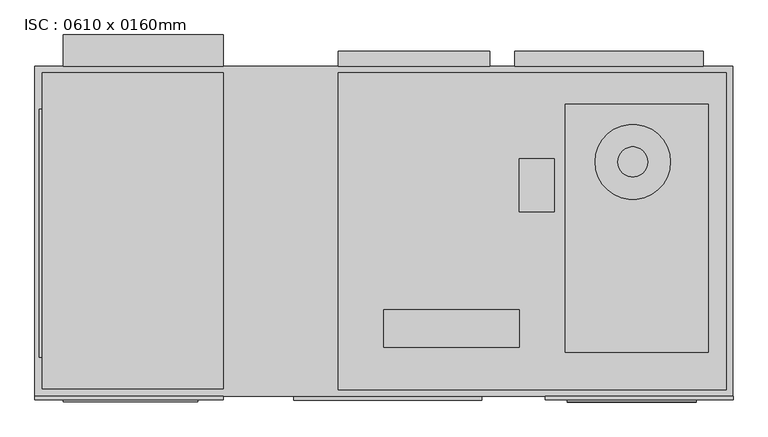
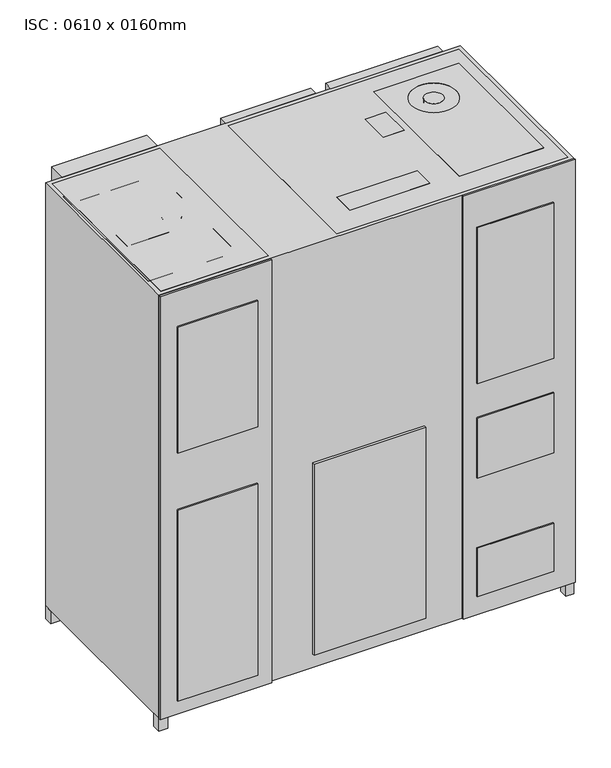
"""IFC4 building model written with IfcOpenShell, lengths in millimetres: furniture geometry, ISC : 0610 x 0160mm."""

from ifc_helpers import new_model, si_unit, point, frame, frame_2d, origin, origin_with_axes, place, context, project, spatial, polyline, circle_curve, trimmed, segment, composite_curve, outline, extrude, source, transform, mapped, element, save


def isc_0610_x_0160mm_a3038b83(model_context):
    return source(origin(), model_context, "Body", "SweptSolid", [
        extrude(outline(polyline([(833.7138357, -286.6), (833.7138357, -301.6), (491.1322721, -301.6), (491.1322721, -286.6), (833.7138357, -286.6)])), frame((0.0, 0.0, 89.4930278), z_axis=(0.0, 0.0, 1.0), x_axis=(1.0, 0.0, 0.0)), (0.0, 0.0, 1.0), 228.5346148),
        extrude(outline(polyline([(833.7138357, -286.6), (833.7138357, -301.6), (491.1322721, -301.6), (491.1322721, -286.6), (833.7138357, -286.6)])), frame((0.0, 0.0, 650.2056581), z_axis=(0.0, 0.0, 1.0), x_axis=(1.0, 0.0, 0.0)), (0.0, 0.0, 1.0), 283.9586262),
        extrude(outline(polyline([(833.7138357, -286.6), (833.7138357, -301.6), (491.1322721, -301.6), (491.1322721, -286.6), (833.7138357, -286.6)])), frame((0.0, 0.0, 1096.6425764), z_axis=(0.0, 0.0, 1.0), x_axis=(1.0, 0.0, 0.0)), (0.0, 0.0, 1.0), 737.52348),
        extrude(outline(polyline([(-491.8433017, -286.6), (-491.8433017, -301.6), (-848.8677279, -301.6), (-848.8677279, -286.6), (-491.8433017, -286.6)])), frame((0.0, 0.0, 63.2559885), z_axis=(0.0, 0.0, 1.0), x_axis=(1.0, 0.0, 0.0)), (0.0, 0.0, 1.0), 905.3791985),
        extrude(outline(polyline([(-491.8433017, -286.6), (-491.8433017, -301.6), (-848.8677279, -301.6), (-848.8677279, -286.6), (-491.8433017, -286.6)])), frame((0.0, 0.0, 1236.7503321), z_axis=(0.0, 0.0, 1.0), x_axis=(1.0, 0.0, 0.0)), (0.0, 0.0, 1.0), 597.4157242),
        extrude(outline(polyline([(263.9836303, -286.6), (263.9836303, -296.4444218), (-236.0163697, -296.4444218), (-236.0163697, -286.6), (263.9836303, -286.6)])), frame((0.0, 0.0, 63.2559885), z_axis=(0.0, 0.0, 1.0), x_axis=(1.0, 0.0, 0.0)), (0.0, 0.0, 1.0), 905.3791985),
        extrude(outline(polyline([(931.9836303, -286.6), (931.9836303, -296.4444218), (431.9836303, -296.4444218), (431.9836303, -286.6), (931.9836303, -286.6)])), origin_with_axes(), (0.0, 0.0, 1.0), 2000.6055202),
        extrude(outline(polyline([(-424.2663697, -286.6), (-424.2663697, -296.4444218), (-924.2663697, -296.4444218), (-924.2663697, -286.6), (-424.2663697, -286.6)])), origin_with_axes(), (0.0, 0.0, 1.0), 2000.6055202),
        extrude(outline(polyline([(363.7336303, -56.2053237), (363.7336303, -156.2053237), (3.7336303, -156.2053237), (3.7336303, -56.2053237), (363.7336303, -56.2053237)])), frame((0.0, 0.0, 1914.3475508), z_axis=(0.0, 0.0, 1.0), x_axis=(1.0, 0.0, 0.0)), (0.0, 0.0, 1.0), 86.6524492),
        extrude(outline(polyline([(455.8746494, 345.0872714), (455.8746494, 204.2079561), (363.7336303, 204.2079561), (363.7336303, 345.0872714), (455.8746494, 345.0872714)])), frame((0.0, 0.0, 1914.3475508), z_axis=(0.0, 0.0, 1.0), x_axis=(1.0, 0.0, 0.0)), (0.0, 0.0, 1.0), 86.6524492),
        extrude(outline(polyline([(865.8746494, 490.2356568), (865.8746494, -169.7643432), (485.8746494, -169.7643432), (485.8746494, 490.2356568), (865.8746494, 490.2356568)]), holes=[composite_curve([segment(trimmed(circle_curve(frame_2d((665.1755961, 336.549131)), 100.0), [point((565.1755961, 336.549131))], [point((765.1755961, 336.549131))], True, "CARTESIAN"), True, "CONTINUOUS"), segment(trimmed(circle_curve(frame_2d((665.1755961, 336.549131)), 100.0), [point((765.1755961, 336.549131))], [point((565.1755961, 336.549131))], True, "CARTESIAN"), True, "CONTINUOUS")], self_intersect=False)]), frame((0.0, 0.0, 1914.3475508), z_axis=(0.0, 0.0, 1.0), x_axis=(1.0, 0.0, 0.0)), (0.0, 0.0, 1.0), 86.6524492),
        extrude(outline(composite_curve([segment(trimmed(circle_curve(frame_2d((665.1755961, 336.549131)), 40.0), [point((625.1755961, 336.549131))], [point((705.1755961, 336.549131))], False, "CARTESIAN"), True, "CONTINUOUS"), segment(trimmed(circle_curve(frame_2d((665.1755961, 336.549131)), 40.0), [point((705.1755961, 336.549131))], [point((625.1755961, 336.549131))], False, "CARTESIAN"), True, "CONTINUOUS")], self_intersect=False)), frame((0.0, 0.0, 1914.3475508), z_axis=(0.0, 0.0, 1.0), x_axis=(1.0, 0.0, 0.0)), (0.0, 0.0, 1.0), 86.6524492),
        extrude(outline(polyline([(914.2540428, 573.4), (914.2540428, -269.0064748), (-118.2663697, -269.0064748), (-118.2663697, 573.4), (914.2540428, 573.4)])), frame((0.0, 0.0, 1914.3475508), z_axis=(0.0, 0.0, 1.0), x_axis=(1.0, 0.0, 0.0)), (0.0, 0.0, 1.0), 86.6524492),
        extrude(outline(polyline([(-424.2663697, 573.8064748), (-424.2663697, -266.3477589), (-904.307653, -266.3477589), (-904.307653, 573.8064748), (-424.2663697, 573.8064748)])), frame((0.0, 0.0, 1914.3475508), z_axis=(0.0, 0.0, 1.0), x_axis=(1.0, 0.0, 0.0)), (0.0, 0.0, 1.0), 86.6524492),
        extrude(outline(composite_curve([segment(trimmed(circle_curve(frame_2d((-614.2647309, 152.4)), 40.0), [point((-654.2647309, 152.4))], [point((-574.2647309, 152.4))], False, "CARTESIAN"), True, "CONTINUOUS"), segment(trimmed(circle_curve(frame_2d((-614.2647309, 152.4)), 40.0), [point((-574.2647309, 152.4))], [point((-654.2647309, 152.4))], False, "CARTESIAN"), True, "CONTINUOUS")], self_intersect=False)), frame((0.0, 0.0, 1914.3475508), z_axis=(0.0, 0.0, 1.0), x_axis=(1.0, 0.0, 0.0)), (0.0, 0.0, 1.0), 86.6524492),
        extrude(outline(polyline([(-677.8334103, 242.4), (-677.8334103, 62.4), (-865.2313588, 62.4), (-865.2313588, 242.4), (-677.8334103, 242.4)])), frame((0.0, 0.0, 1914.3475508), z_axis=(0.0, 0.0, 1.0), x_axis=(1.0, 0.0, 0.0)), (0.0, 0.0, 1.0), 86.6524492),
        extrude(outline(polyline([(-464.2663697, 476.6690522), (-464.2663697, -183.3309478), (-912.2986432, -183.3309478), (-912.2986432, 476.6690522), (-464.2663697, 476.6690522)]), holes=[polyline([(-517.8334103, 420.9855283), (-865.2313588, 420.9855283), (-865.2313588, -139.0144717), (-517.8334103, -139.0144717), (-517.8334103, 420.9855283)])]), frame((0.0, 0.0, 1914.3475508), z_axis=(0.0, 0.0, 1.0), x_axis=(1.0, 0.0, 0.0)), (0.0, 0.0, 1.0), 86.6524492),
        extrude(outline(polyline([(284.3060169, 631.3168284), (284.3060169, 591.4), (-118.2663697, 591.4), (-118.2663697, 631.3168284), (284.3060169, 631.3168284)])), origin_with_axes(), (0.0, 0.0, 1.0), 2001.0),
        extrude(outline(polyline([(852.2779599, 631.3168284), (852.2779599, 591.4), (351.1262455, 591.4), (351.1262455, 631.3168284), (852.2779599, 631.3168284)])), origin_with_axes(), (0.0, 0.0, 1.0), 2001.0),
        extrude(outline(polyline([(-424.2663697, 674.2334922), (-424.2663697, 591.4), (-848.8677279, 591.4), (-848.8677279, 674.2334922), (-424.2663697, 674.2334922)])), origin_with_axes(), (0.0, 0.0, 1.0), 2001.0),
        extrude(outline(polyline([(-885.3079155, -246.6), (-885.3079155, -286.6), (-924.2663697, -286.6), (-924.2663697, -246.6), (-885.3079155, -246.6)])), frame((0.0, 0.0, -60.0), z_axis=(0.0, 0.0, 1.0), x_axis=(1.0, 0.0, 0.0)), (0.0, 0.0, 1.0), 60.0),
        extrude(outline(polyline([(-885.3079155, 591.4), (-885.3079155, 551.4), (-924.4459564, 551.4), (-924.4459564, 591.4), (-885.3079155, 591.4)])), frame((0.0, 0.0, -60.0), z_axis=(0.0, 0.0, 1.0), x_axis=(1.0, 0.0, 0.0)), (0.0, 0.0, 1.0), 60.0),
        extrude(outline(polyline([(931.7336303, 591.4), (931.7336303, 551.4), (896.2744296, 551.4), (896.2744296, 591.4), (931.7336303, 591.4)])), frame((0.0, 0.0, -60.0), z_axis=(0.0, 0.0, 1.0), x_axis=(1.0, 0.0, 0.0)), (0.0, 0.0, 1.0), 60.0),
        extrude(outline(polyline([(931.7336303, -246.6), (931.7336303, -286.6), (896.2744296, -286.6), (896.2744296, -246.6), (931.7336303, -246.6)])), frame((0.0, 0.0, -60.0), z_axis=(0.0, 0.0, 1.0), x_axis=(1.0, 0.0, 0.0)), (0.0, 0.0, 1.0), 60.0),
        extrude(outline(polyline([(931.7336303, 591.4), (931.7336303, -286.6), (-924.2663697, -286.6), (-924.2663697, 591.4), (931.7336303, 591.4)])), origin_with_axes(), (0.0, 0.0, 1.0), 2001.0),
    ])


if __name__ == "__main__":
    model = new_model("IFC4")
    model_context = context("Model", 3, world=origin())
    ifc_project = project(units=[si_unit("LENGTHUNIT", "METRE", prefix="MILLI")], contexts=[model_context])
    site = spatial("IfcSite", under=ifc_project)
    building = spatial("IfcBuilding", under=site)
    placement = place(None, origin())
    isc_0610_x_0160mm_shape = isc_0610_x_0160mm_a3038b83(model_context)
    element("IfcFurniture", 1, ObjectType="ISC : 0610 x 0160mm", at=placement, inside=building, context=model_context, shape_type="MappedRepresentation", body=[
        mapped(isc_0610_x_0160mm_shape, transform((0.0, 0.0, 0.0), x_axis=(1.0, 0.0, 0.0), y_axis=(0.0, 1.0, 0.0), z_axis=(0.0, 0.0, 1.0))),
    ])
    save(model, "model.ifc")
